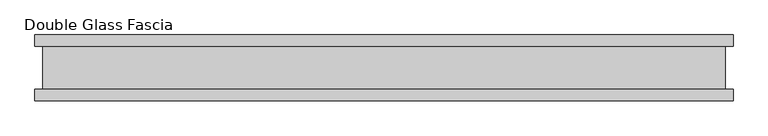
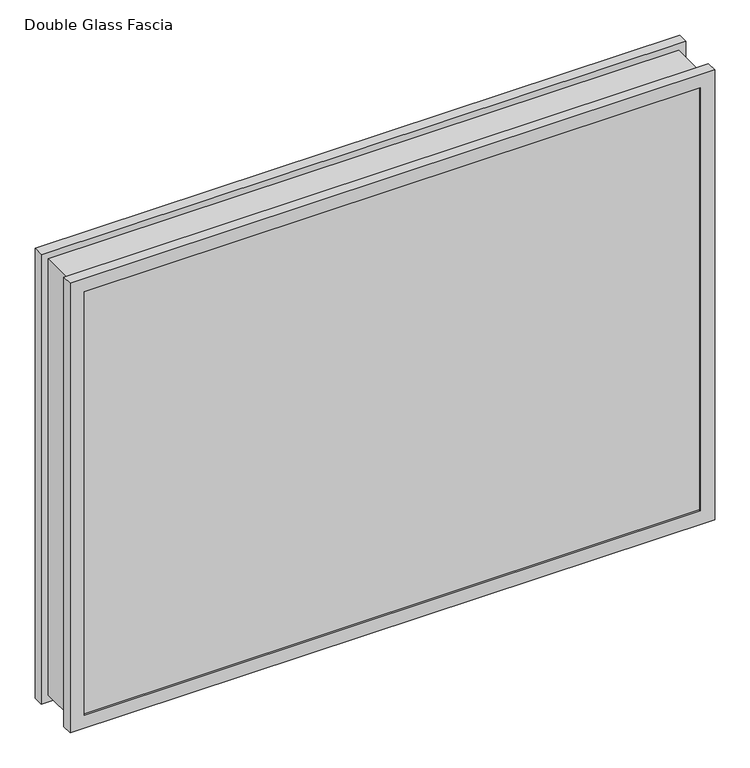
"""IFC4 building model written with IfcOpenShell, lengths in millimetres: proxy geometry, Double Glass Fascia."""

from ifc_helpers import new_model, si_unit, frame, origin, place, context, project, spatial, polyline, outline, extrude, faceted_brep, source, transform, mapped, element, save


def double_glass_fascia_d71fbf4d(model_context):
    return source(origin(), model_context, "Body", "SolidModel", [
        faceted_brep([(519.6640848, 32.4352299, 775.5390849), (519.6640848, -32.4352299, 775.5390849), (519.6640848, -32.4352299, 15.0359151), (519.6640848, 32.4352299, 15.0359151), (-519.6640848, -32.4352299, 15.0359151), (-519.6640848, 32.4352299, 15.0359151), (-519.6640848, -32.4352299, 775.5390849), (-519.6640848, 32.4352299, 775.5390849), (508.4871999, -38.8962152, 764.3622), (508.4871999, 38.8962152, 764.3622), (508.4871999, 38.8962152, 26.2128), (508.4871999, -38.8962152, 26.2128), (525.2218392, -47.1322551, 781.0968392), (525.2218392, -38.8962152, 781.0968392), (525.2218392, -38.8962152, 9.4781608), (525.2218392, -47.1322551, 9.4781608), (508.3093999, -50.0558594, 764.1844), (508.3093999, -47.1322551, 764.1844), (508.3093999, -47.1322551, 26.3906), (508.3093999, -50.0558594, 26.3906), (531.5249999, -32.4352299, 787.4), (531.5249999, -50.0558594, 787.4), (531.5249999, -50.0558594, 3.175), (531.5249999, -32.4352299, 3.175), (-508.4871999, 38.8962152, 26.2128), (-508.4871999, -38.8962152, 26.2128), (-525.2218392, -38.8962152, 9.4781608), (-525.2218392, -47.1322551, 9.4781608), (-508.3093999, -47.1322551, 26.3906), (-508.3093999, -50.0558594, 26.3906), (-531.5249999, -50.0558594, 3.175), (-531.5249999, -32.4352299, 3.175), (-508.4871999, 38.8962152, 764.3622), (-508.4871999, -38.8962152, 764.3622), (-525.2218392, -38.8962152, 781.0968392), (-525.2218392, -47.1322551, 781.0968392), (-508.3093999, -47.1322551, 764.1844), (-508.3093999, -50.0558594, 764.1844), (-531.5249999, -50.0558594, 787.4), (-531.5249999, -32.4352299, 787.4), (531.5249999, 50.0558594, 787.4), (531.5249999, 32.4352299, 787.4), (531.5249999, 32.4352299, 3.175), (531.5249999, 50.0558594, 3.175), (508.4871999, 47.1322551, 764.3622), (508.4871999, 50.0558594, 764.3622), (508.4871999, 50.0558594, 26.2128), (508.4871999, 47.1322551, 26.2128), (525.2218392, 38.8962152, 781.0968392), (525.2218392, 47.1322551, 781.0968392), (525.2218392, 47.1322551, 9.4781608), (525.2218392, 38.8962152, 9.4781608), (-531.5249999, 32.4352299, 3.175), (-531.5249999, 50.0558594, 3.175), (-508.4871999, 50.0558594, 26.2128), (-508.4871999, 47.1322551, 26.2128), (-525.2218392, 47.1322551, 9.4781608), (-525.2218392, 38.8962152, 9.4781608), (-531.5249999, 32.4352299, 787.4), (-531.5249999, 50.0558594, 787.4), (-508.4871999, 50.0558594, 764.3622), (-508.4871999, 47.1322551, 764.3622), (-525.2218392, 47.1322551, 781.0968392), (-525.2218392, 38.8962152, 781.0968392)], [[[0, 1, 2, 3]], [[3, 2, 4, 5]], [[5, 4, 6, 7]], [[7, 6, 1, 0]], [[8, 9, 10, 11]], [[12, 13, 14, 15]], [[16, 17, 18, 19]], [[20, 21, 22, 23]], [[11, 10, 24, 25]], [[15, 14, 26, 27]], [[19, 18, 28, 29]], [[23, 22, 30, 31]], [[25, 24, 32, 33]], [[27, 26, 34, 35]], [[29, 28, 36, 37]], [[31, 30, 38, 39]], [[33, 32, 9, 8]], [[13, 34, 26, 14], [11, 25, 33, 8]], [[35, 34, 13, 12]], [[15, 27, 35, 12], [17, 36, 28, 18]], [[37, 36, 17, 16]], [[21, 38, 30, 22], [19, 29, 37, 16]], [[39, 38, 21, 20]], [[23, 31, 39, 20], [1, 6, 4, 2]], [[40, 41, 42, 43]], [[44, 45, 46, 47]], [[48, 49, 50, 51]], [[43, 42, 52, 53]], [[47, 46, 54, 55]], [[51, 50, 56, 57]], [[53, 52, 58, 59]], [[55, 54, 60, 61]], [[57, 56, 62, 63]], [[41, 58, 52, 42], [3, 5, 7, 0]], [[59, 58, 41, 40]], [[43, 53, 59, 40], [45, 60, 54, 46]], [[61, 60, 45, 44]], [[49, 62, 56, 50], [47, 55, 61, 44]], [[63, 62, 49, 48]], [[51, 57, 63, 48], [9, 32, 24, 10]]]),
        extrude(outline(polyline([(520.7, -40.9277344), (520.7, -46.8808594), (-520.7, -46.8808594), (-520.7, -40.9277344), (520.7, -40.9277344)])), frame((0.0, 0.0, 5.3275263), z_axis=(0.0, 0.0, 1.0), x_axis=(1.0, 0.0, 0.0)), (0.0, 0.0, 1.0), 779.425928),
        extrude(outline(polyline([(520.7, 41.1791301), (-520.7, 41.1791301), (-520.7, 47.1322551), (520.7, 47.1322551), (520.7, 41.1791301)])), frame((0.0, 0.0, 5.3275263), z_axis=(0.0, 0.0, 1.0), x_axis=(1.0, 0.0, 0.0)), (0.0, 0.0, 1.0), 779.425928),
    ])


if __name__ == "__main__":
    model = new_model("IFC4")
    model_context = context("Model", 3, world=origin())
    ifc_project = project(units=[si_unit("LENGTHUNIT", "METRE", prefix="MILLI")], contexts=[model_context])
    site = spatial("IfcSite", under=ifc_project)
    building = spatial("IfcBuilding", under=site)
    placement = place(None, origin())
    double_glass_fascia_shape = double_glass_fascia_d71fbf4d(model_context)
    element("IfcBuildingElementProxy", 1, Name="Double Glass Fascia", ObjectType="Double Glass Fascia", at=placement, inside=building, context=model_context, shape_type="MappedRepresentation", body=[
        mapped(double_glass_fascia_shape, transform((0.0, 0.0, 0.0), x_axis=(1.0, 0.0, 0.0), y_axis=(0.0, 1.0, 0.0), z_axis=(0.0, 0.0, 1.0))),
    ])
    save(model, "model.ifc")
